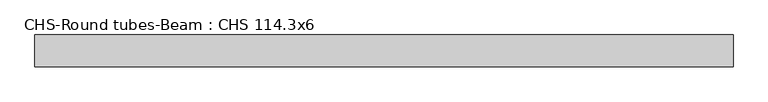
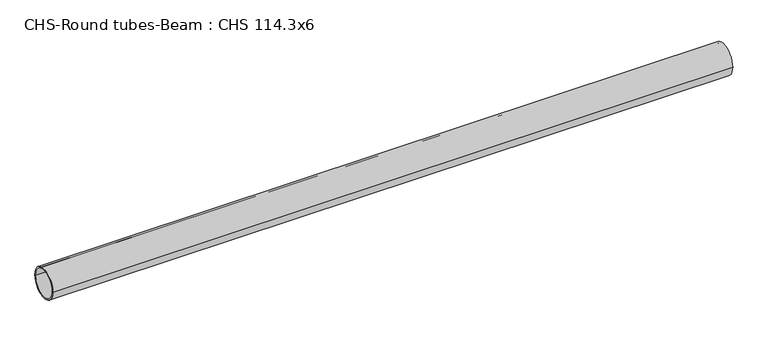
"""IFC4 building model written with IfcOpenShell, lengths in millimetres: beam geometry, CHS-Round tubes-Beam : CHS 114.3x6."""

from ifc_helpers import new_model, si_unit, point, frame, origin, origin_2d, place, context, project, spatial, circle_curve, trimmed, segment, composite_curve, outline, extrude, source, transform, mapped, element, save


def chs_round_tubes_beam_chs_114_3x6_86687476(model_context):
    return source(origin(), model_context, "Body", "SweptSolid", [
        extrude(outline(composite_curve([segment(trimmed(circle_curve(origin_2d(), 57.15), [point((57.15, 0.0))], [point((-57.15, 0.0))], False, "CARTESIAN"), True, "CONTINUOUS"), segment(trimmed(circle_curve(origin_2d(), 57.15), [point((-57.15, 0.0))], [point((57.15, 0.0))], False, "CARTESIAN"), True, "CONTINUOUS")], self_intersect=False), holes=[composite_curve([segment(trimmed(circle_curve(origin_2d(), 51.15), [point((51.15, 0.0))], [point((-51.15, 0.0))], True, "CARTESIAN"), True, "CONTINUOUS"), segment(trimmed(circle_curve(origin_2d(), 51.15), [point((-51.15, 0.0))], [point((51.15, 0.0))], True, "CARTESIAN"), True, "CONTINUOUS")], self_intersect=False)]), frame((-1198.7504756, 0.0, 0.0), z_axis=(1.0, 0.0, 0.0), x_axis=(0.0, 1.0, 0.0)), (0.0, 0.0, 1.0), 2503.959437),
    ])


if __name__ == "__main__":
    model = new_model("IFC4")
    model_context = context("Model", 3, world=origin())
    ifc_project = project(units=[si_unit("LENGTHUNIT", "METRE", prefix="MILLI")], contexts=[model_context])
    site = spatial("IfcSite", under=ifc_project)
    building = spatial("IfcBuilding", under=site)
    placement = place(None, origin())
    chs_round_tubes_beam_chs_114_3x6_shape = chs_round_tubes_beam_chs_114_3x6_86687476(model_context)
    element("IfcBeam", 1, ObjectType="CHS-Round tubes-Beam : CHS 114.3x6", at=placement, inside=building, context=model_context, shape_type="MappedRepresentation", body=[
        mapped(chs_round_tubes_beam_chs_114_3x6_shape, transform((0.0, 0.0, 0.0), x_axis=(1.0, 0.0, 0.0), y_axis=(0.0, 1.0, 0.0), z_axis=(0.0, 0.0, 1.0))),
    ])
    save(model, "model.ifc")
